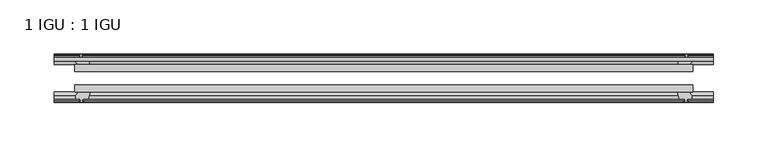
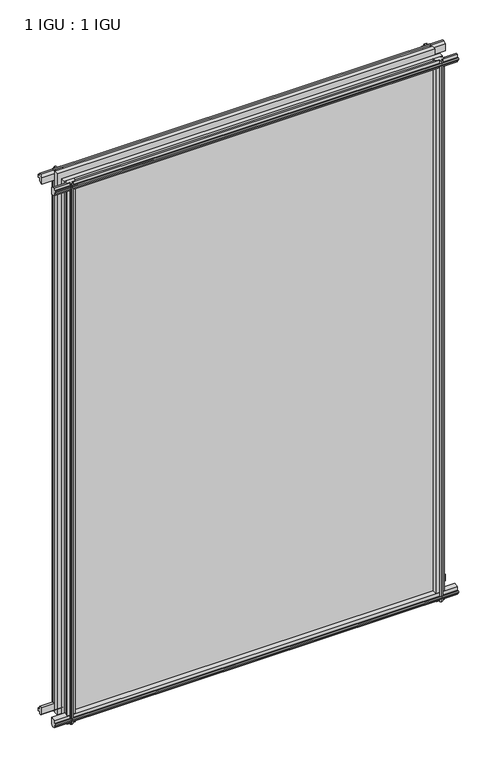
"""IFC4 building model written with IfcOpenShell, lengths in millimetres: plate geometry, 1 IGU : 1 IGU."""

from ifc_helpers import new_model, si_unit, frame, origin, place, context, project, spatial, polyline, outline, extrude, source, transform, mapped, element, save


def plate_1_igu_1_igu_88205fea(model_context):
    return source(origin(), model_context, "Body", "SweptSolid", [
        extrude(outline(polyline([(-285.7500002, -38.6468937), (285.7500002, -38.6468937), (285.7500002, -44.9460938), (-285.7500002, -44.9460938), (-285.7500002, -38.6468937)])), frame((0.0, 0.0, -12.7), z_axis=(0.0, 0.0, 1.0), x_axis=(1.0, 0.0, 0.0)), (0.0, 0.0, 1.0), 863.5999996),
        extrude(outline(polyline([(-285.7500002, -19.5460937), (285.7500002, -19.5460937), (285.7500002, -25.8960938), (-285.7500002, -25.8960938), (-285.7500002, -19.5460937)])), frame((0.0, 0.0, -12.7), z_axis=(0.0, 0.0, 1.0), x_axis=(1.0, 0.0, 0.0)), (0.0, 0.0, 1.0), 863.5999996),
        extrude(outline(polyline([(-44.9460937, 1.7177181), (-44.9460937, -9.1036578), (-48.3496937, -11.938), (-51.2960937, -11.938), (-51.2960937, -7.493), (-53.6762907, -7.112), (-53.2163575, -8.5275291), (-54.0175717, -8.5275291), (-54.7250937, -6.35), (-54.0175717, -4.1724709), (-53.2163575, -4.1724709), (-53.6762907, -5.588), (-51.2960937, -5.207), (-51.2960937, 0.0), (-44.9460937, 1.7177181)])), frame((-304.8000002, 0.0, 0.0), z_axis=(1.0, 0.0, 0.0), x_axis=(0.0, 1.0, 0.0)), (0.0, 0.0, 1.0), 609.6000003),
        extrude(outline(polyline([(-13.1960937, -12.4587), (-16.1424937, -12.4587), (-19.5460937, -9.6243578), (-19.5460937, 1.1970181), (-13.1960937, -0.5207), (-13.1960937, -5.7277), (-10.8158968, -6.1087), (-11.27583, -4.6931709), (-10.4746158, -4.6931709), (-9.7670937, -6.8707), (-10.4746158, -9.0482291), (-11.27583, -9.0482291), (-10.8158968, -7.6327), (-13.1960937, -8.0137), (-13.1960937, -12.4587)])), frame((-304.8000002, 0.0, 0.0), z_axis=(1.0, 0.0, 0.0), x_axis=(0.0, 1.0, 0.0)), (0.0, 0.0, 1.0), 609.6000003),
        extrude(outline(polyline([(-51.2960937, 850.1379996), (-48.3496937, 850.1379996), (-44.9460937, 847.3036575), (-44.9460937, 836.4822816), (-51.2960937, 838.1999996), (-51.2960937, 843.4069996), (-53.6762907, 843.7879996), (-53.2163575, 842.3724706), (-54.0175717, 842.3724706), (-54.7250937, 844.5499996), (-54.0175717, 846.7275287), (-53.2163575, 846.7275287), (-53.6762907, 845.3119996), (-51.2960937, 845.6929996), (-51.2960937, 850.1379996)])), frame((-304.8000002, 0.0, 0.0), z_axis=(1.0, 0.0, 0.0), x_axis=(0.0, 1.0, 0.0)), (0.0, 0.0, 1.0), 609.6000003),
        extrude(outline(polyline([(-19.5460937, 837.0029816), (-19.5460937, 847.8243575), (-16.1424937, 850.6586996), (-13.1960937, 850.6586996), (-13.1960937, 846.2136996), (-10.8158968, 845.8326996), (-11.27583, 847.2482287), (-10.4746158, 847.2482287), (-9.7670937, 845.0706996), (-10.4746158, 842.8931706), (-11.27583, 842.8931706), (-10.8158968, 844.3086996), (-13.1960937, 843.9276996), (-13.1960937, 838.7206996), (-19.5460937, 837.0029816)])), frame((-304.8000002, 0.0, 0.0), z_axis=(1.0, 0.0, 0.0), x_axis=(0.0, 1.0, 0.0)), (0.0, 0.0, 1.0), 609.6000003),
        extrude(outline(polyline([(271.8529821, -19.5460938), (273.5707002, -13.1960938), (278.7777002, -13.1960938), (279.1587002, -10.8158968), (277.7431711, -11.27583), (277.7431711, -10.4746158), (279.9207002, -9.7670938), (282.0982292, -10.4746158), (282.0982292, -11.27583), (280.6827002, -10.8158968), (281.0637002, -13.1960938), (285.5087002, -13.1960938), (285.5087002, -16.1424938), (282.674358, -19.5460938), (271.8529821, -19.5460938)])), frame((0.0, 0.0, -12.7), z_axis=(0.0, 0.0, 1.0), x_axis=(1.0, 0.0, 0.0)), (0.0, 0.0, 1.0), 863.5999998),
        extrude(outline(polyline([(271.3322821, -44.9460938), (282.153658, -44.9460938), (284.9880002, -48.3496938), (284.9880002, -51.2960938), (280.5430002, -51.2960938), (280.1620002, -53.6762907), (281.5775292, -53.2163575), (281.5775292, -54.0175717), (279.4000002, -54.7250938), (277.2224711, -54.0175717), (277.2224711, -53.2163575), (278.6380002, -53.6762907), (278.2570002, -51.2960938), (273.0500002, -51.2960938), (271.3322821, -44.9460938)])), frame((0.0, 0.0, -12.7), z_axis=(0.0, 0.0, 1.0), x_axis=(1.0, 0.0, 0.0)), (0.0, 0.0, 1.0), 863.5999998),
        extrude(outline(polyline([(-279.9207002, -9.7670937), (-277.7431711, -10.4746158), (-277.7431711, -11.27583), (-279.1587002, -10.8158968), (-278.7777002, -13.1960937), (-273.5707002, -13.1960937), (-271.8529821, -19.5460937), (-282.674358, -19.5460937), (-285.5087002, -16.1424937), (-285.5087002, -13.1960937), (-281.0637002, -13.1960937), (-280.6827002, -10.8158968), (-282.0982292, -11.27583), (-282.0982292, -10.4746158), (-279.9207002, -9.7670937)])), frame((0.0, 0.0, -12.7), z_axis=(0.0, 0.0, 1.0), x_axis=(1.0, 0.0, 0.0)), (0.0, 0.0, 1.0), 863.5999998),
        extrude(outline(polyline([(-284.9880002, -48.3496937), (-282.153658, -44.9460937), (-271.3322821, -44.9460937), (-273.0500002, -51.2960937), (-278.2570002, -51.2960937), (-278.6380002, -53.6762907), (-277.2224711, -53.2163575), (-277.2224711, -54.0175717), (-279.4000002, -54.7250937), (-281.5775292, -54.0175717), (-281.5775292, -53.2163575), (-280.1620002, -53.6762907), (-280.5430002, -51.2960937), (-284.9880002, -51.2960937), (-284.9880002, -48.3496937)])), frame((0.0, 0.0, -12.7), z_axis=(0.0, 0.0, 1.0), x_axis=(1.0, 0.0, 0.0)), (0.0, 0.0, 1.0), 863.5999998),
    ])


if __name__ == "__main__":
    model = new_model("IFC4")
    model_context = context("Model", 3, world=origin())
    ifc_project = project(units=[si_unit("LENGTHUNIT", "METRE", prefix="MILLI")], contexts=[model_context])
    site = spatial("IfcSite", under=ifc_project)
    building = spatial("IfcBuilding", under=site)
    placement = place(None, origin())
    plate_1_igu_1_igu_shape = plate_1_igu_1_igu_88205fea(model_context)
    element("IfcPlate", 1, ObjectType="1 IGU : 1 IGU", at=placement, inside=building, context=model_context, shape_type="MappedRepresentation", body=[
        mapped(plate_1_igu_1_igu_shape, transform((0.0, 0.0, 0.0), x_axis=(1.0, 0.0, 0.0), y_axis=(0.0, 1.0, 0.0), z_axis=(0.0, 0.0, 1.0))),
    ])
    save(model, "model.ifc")
